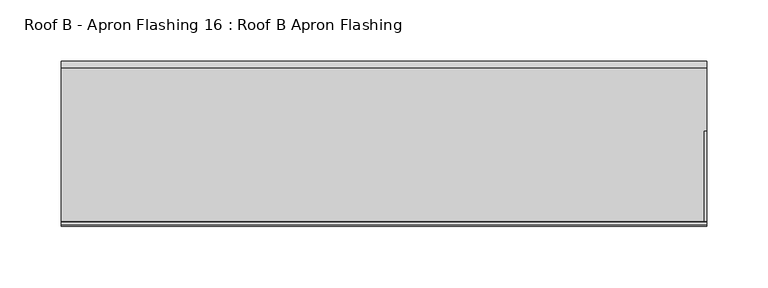
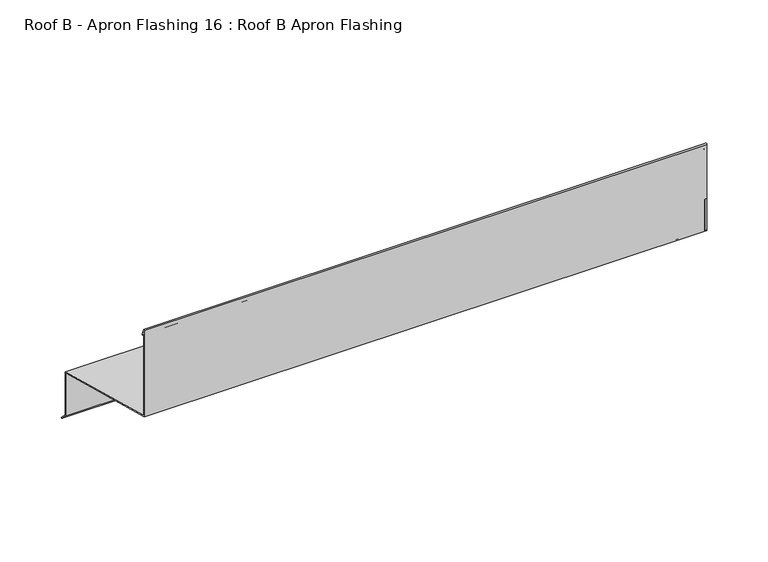
"""IFC4 building model written with IfcOpenShell, lengths in millimetres: proxy geometry, Roof B - Apron Flashing 16 : Roof B Apron Flashing."""

from ifc_helpers import new_model, si_unit, point, frame, frame_2d, origin, place, context, project, spatial, polyline, circle_curve, trimmed, segment, composite_curve, outline, extrude, source, transform, mapped, element, save


def roof_b_apron_flashing_16_roof_b_apron_flashing_037a39be(model_context):
    return source(origin(), model_context, "Body", "SweptSolid", [
        extrude(outline(polyline([(5673.2344915, -388.7215885), (5627.9865096, -376.5974283), (5627.9865096, -333.9762204), (5673.2344915, -346.1003806), (5673.2344915, -388.7215885)])), frame((17494.3541786, 0.0, 0.0), z_axis=(1.0, 0.0, 0.0), x_axis=(0.0, 1.0, 0.0)), (0.0, 0.0, 1.0), 2.0),
        extrude(outline(polyline([(5622.9865096, -331.6011982), (5544.8615096, -310.6676676), (5544.8615096, -279.7934577), (5622.9865096, -300.7269884), (5622.9865096, -331.6011982)])), frame((17494.3541786, 0.0, 0.0), z_axis=(1.0, 0.0, 0.0), x_axis=(0.0, 1.0, 0.0)), (0.0, 0.0, 1.0), 2.0),
        extrude(outline(composite_curve([segment(polyline([(5674.2344915, -345.3330536), (5674.2344915, -388.338713), (5680.2651268, -394.3693483), (5679.55802, -395.0764551), (5673.2344915, -388.7529266), (5673.2344915, -346.1003806), (5544.8615096, -311.7029438), (5544.8615096, -225.8538686)]), True, "CONTINUOUS"), segment(trimmed(circle_curve(frame_2d((5545.5405538, -225.8538686)), 0.6790442), [point((5544.8615096, -225.8538686))], [point((5546.1701526, -225.5994942))], False, "CARTESIAN"), True, "CONTINUOUS"), segment(polyline([(5546.1701526, -225.5994942), (5548.5846074, -231.5754797)]), True, "CONTINUOUS"), segment(trimmed(circle_curve(frame_2d((5548.1210155, -231.762783)), 0.5), [point((5548.5846074, -231.5754797))], [point((5547.6574236, -231.9500863))], False, "CARTESIAN"), True, "CONTINUOUS"), segment(polyline([(5547.6574236, -231.9500863), (5545.8615096, -227.5050431), (5545.8615096, -310.9356168), (5674.2344915, -345.3330536)]), True, "CONTINUOUS")], self_intersect=False)), frame((16967.4791786, 0.0, 0.0), z_axis=(1.0, 0.0, 0.0), x_axis=(0.0, 1.0, 0.0)), (0.0, 0.0, 1.0), 528.875),
    ])


if __name__ == "__main__":
    model = new_model("IFC4")
    model_context = context("Model", 3, world=origin())
    ifc_project = project(units=[si_unit("LENGTHUNIT", "METRE", prefix="MILLI")], contexts=[model_context])
    site = spatial("IfcSite", under=ifc_project)
    building = spatial("IfcBuilding", under=site)
    placement = place(None, origin())
    roof_b_apron_flashing_16_roof_b_apron_flashing_shape = roof_b_apron_flashing_16_roof_b_apron_flashing_037a39be(model_context)
    element("IfcBuildingElementProxy", 1, Name="Roof B - Apron Flashing 16 : Roof B Apron Flashing", ObjectType="Roof B - Apron Flashing 16 : Roof B Apron Flashing", at=placement, inside=building, context=model_context, shape_type="MappedRepresentation", body=[
        mapped(roof_b_apron_flashing_16_roof_b_apron_flashing_shape, transform((0.0, 0.0, 0.0), x_axis=(1.0, 0.0, 0.0), y_axis=(0.0, 1.0, 0.0), z_axis=(0.0, 0.0, 1.0))),
    ])
    save(model, "model.ifc")
